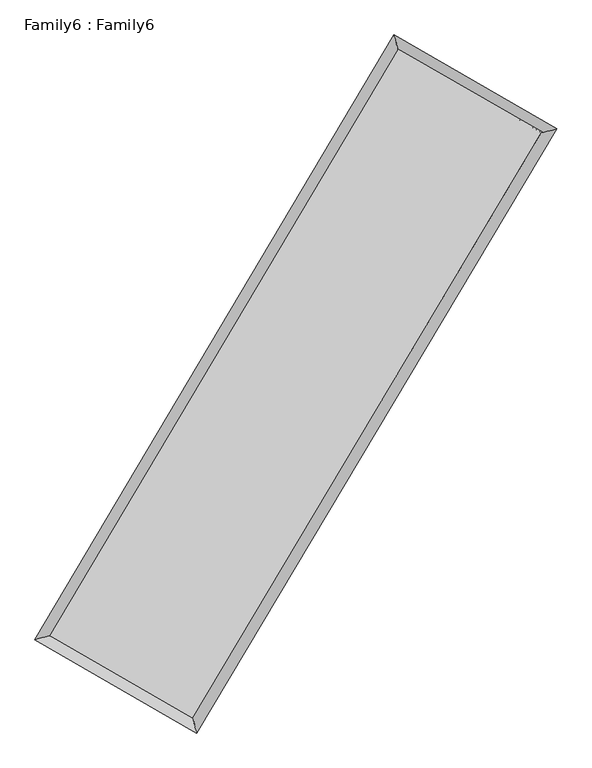
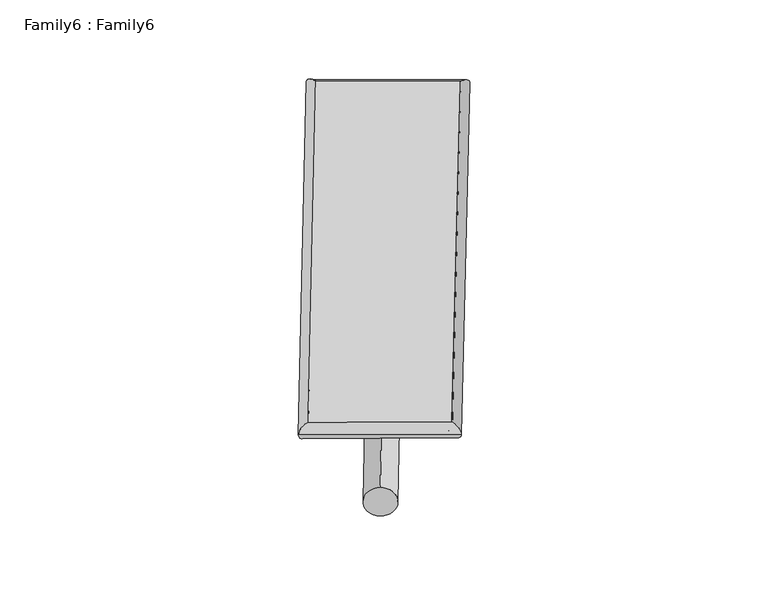
"""IFC4 building model written with IfcOpenShell, lengths in millimetres: plate geometry, Family6 : Family6."""

from ifc_helpers import new_model, si_unit, point, frame, origin, origin_2d, place, context, project, spatial, circle_curve, ellipse_curve, trimmed, segment, composite_curve, outline, extrude, source, transform, mapped, element, save
from ifc_brep_helpers import plane_surface, cylinder_surface, spline_surface, advanced_brep


def family6_family6_505c351c(model_context):
    return source(origin(), model_context, "Body", "SolidModel", [
        extrude(outline(composite_curve([segment(trimmed(circle_curve(origin_2d(), 76.2), [point((-75.4341515, -10.7763073))], [point((75.4341515, 10.7763073))], False, "CARTESIAN"), True, "CONTINUOUS"), segment(trimmed(circle_curve(origin_2d(), 76.2), [point((75.4341515, 10.7763073))], [point((-75.4341515, -10.7763073))], False, "CARTESIAN"), True, "CONTINUOUS")], self_intersect=False)), frame((9144.0, 9144.0, 0.0), z_axis=(0.6748021462334539, 0.6862234961826241, 0.27154995254210723), x_axis=(-0.678185940897874, 0.7217159832759199, -0.138527502874114)), (0.0, 0.0, 1.0), 5581.3530393),
        extrude(outline(composite_curve([segment(trimmed(circle_curve(origin_2d(), 76.2), [point((-53.8815367, 53.8815367))], [point((53.8815367, -53.8815367))], False, "CARTESIAN"), True, "CONTINUOUS"), segment(trimmed(circle_curve(origin_2d(), 76.2), [point((53.8815367, -53.8815367))], [point((-53.8815367, 53.8815367))], False, "CARTESIAN"), True, "CONTINUOUS")], self_intersect=False)), frame((9144.0, 9144.0, 0.0), z_axis=(-0.673976383655914, -0.6870259920512145, 0.2715715753169705), x_axis=(0.6403208275232999, -0.35993561872731367, 0.6785540422186447)), (0.0, 0.0, 1.0), 5580.6512618),
        extrude(outline(composite_curve([segment(trimmed(circle_curve(origin_2d(), 76.2), [point((-53.8815367, -53.8815367))], [point((53.8815367, 53.8815367))], False, "CARTESIAN"), True, "CONTINUOUS"), segment(trimmed(circle_curve(origin_2d(), 76.2), [point((53.8815367, 53.8815367))], [point((-53.8815367, -53.8815367))], False, "CARTESIAN"), True, "CONTINUOUS")], self_intersect=False)), frame((9144.0, 9144.0, 0.0), z_axis=(0.27982844087584585, 0.9197115812359689, 0.2753663941323033), x_axis=(-0.8390701557122571, 0.37367317907978065, -0.39538541833180824)), (0.0, 0.0, 1.0), 5553.1893775),
        extrude(outline(composite_curve([segment(trimmed(circle_curve(origin_2d(), 76.2), [point((-75.4341514, 10.7763074))], [point((75.4341514, -10.7763074))], False, "CARTESIAN"), True, "CONTINUOUS"), segment(trimmed(circle_curve(origin_2d(), 76.2), [point((75.4341514, -10.7763074))], [point((-75.4341514, 10.7763074))], False, "CARTESIAN"), True, "CONTINUOUS")], self_intersect=False)), frame((9144.0, 9144.0, 0.0), z_axis=(-0.28092202212146156, -0.919360019503545, 0.2754268905274696), x_axis=(0.8763263981572105, -0.12870307821901156, 0.46420637818729005)), (0.0, 0.0, 1.0), 5551.8665157),
        advanced_brep(
        [(5172.8845593, 5255.1046831, 1516.6182189), (5592.6673301, 5364.7992762, 1516.924943), (5592.661129, 5364.7903781, 1514.47429), (10752.0505559, 14044.1194238, 1527.690725), (10643.8300949, 14458.5457428, 1530.6327447), (5172.8783582, 5255.095785, 1514.1675659), (12700.2698128, 12919.3450403, 1515.7624403), (13120.3482067, 13028.7661518, 1515.4698656), (7530.3811132, 4246.9173087, 1528.8835358), (7638.3357506, 3832.754475, 1529.3831262)],
        [
            (0, 1, ellipse_curve(frame((5382.7728442, 5309.9475306, 1515.5462545), z_axis=(-0.2528203386826364, 0.9675089772740636, -0.0028731937791026327), x_axis=(-0.9674990016721574, -0.25283161534765836, -0.004675044820371248)), 216.9480269, 152.4)),
            (1, 2, ellipse_curve(frame((5382.7728442, 5309.9475306, 1515.5462545), z_axis=(-0.2528203386826364, 0.9675089772740636, -0.0028731937791026327), x_axis=(-0.9674990016721574, -0.25283161534765836, -0.004675044820371248)), 216.9480269, 152.4)),
            (2, 3),
            (3, 4, ellipse_curve(frame((10697.9403254, 14251.3325833, 1529.1617348), z_axis=(-0.9675462667868004, -0.25267834937572253, 0.0028059550398764547), x_axis=(0.2526637738953514, -0.9675427024263924, -0.004704927458756009)), 214.1671863, 152.4)),
            (4, 0),
            (2, 5, ellipse_curve(frame((5382.7728442, 5309.9475306, 1515.5462545), z_axis=(-0.2528203386826364, 0.9675089772740636, -0.0028731937791026327), x_axis=(-0.9674990016721574, -0.25283161534765836, -0.004675044820371248)), 216.9480269, 152.4)),
            (5, 0, ellipse_curve(frame((5382.7728442, 5309.9475306, 1515.5462545), z_axis=(-0.2528203386826364, 0.9675089772740636, -0.0028731937791026327), x_axis=(-0.9674990016721574, -0.25283161534765836, -0.004675044820371248)), 216.9480269, 152.4)),
            (4, 3, ellipse_curve(frame((10697.9403254, 14251.3325833, 1529.1617348), z_axis=(-0.9675462667868004, -0.25267834937572253, 0.0028059550398764547), x_axis=(0.2526637738953514, -0.9675427024263924, -0.004704927458756009)), 214.1671863, 152.4)),
            (3, 6),
            (6, 7, ellipse_curve(frame((12910.3090098, 12974.055596, 1515.6161529), z_axis=(-0.25206407162810984, 0.9677063496046405, 0.0028503910468814803), x_axis=(-0.9676965507846458, -0.25207517450927297, 0.004635946032817143)), 217.0495129, 152.4)),
            (7, 4),
            (7, 6, ellipse_curve(frame((12910.3090098, 12974.055596, 1515.6161529), z_axis=(-0.25206407162810984, 0.9677063496046405, 0.0028503910468814803), x_axis=(-0.9676965507846458, -0.25207517450927297, 0.004635946032817143)), 217.0495129, 152.4)),
            (6, 8),
            (8, 9, ellipse_curve(frame((7584.3584319, 4039.8358919, 1529.133331), z_axis=(0.9676626406865296, 0.25223192485508994, 0.002840757551867335), x_axis=(-0.2522171075297096, 0.9676590986522194, -0.0047328072980916645)), 214.0020849, 152.4)),
            (9, 7),
            (9, 8, ellipse_curve(frame((7584.3584319, 4039.8358919, 1529.133331), z_axis=(0.9676626406865296, 0.25223192485508994, 0.002840757551867335), x_axis=(-0.2522171075297096, 0.9676590986522194, -0.0047328072980916645)), 214.0020849, 152.4)),
            (8, 1),
            (5, 9),
        ],
        [
            cylinder_surface(frame((5382.7728442, 5309.9475306, 1515.5462545), z_axis=(-0.5109803642998108, -0.8595913877955451, -0.0013089414662395987), x_axis=(-0.8595676773922117, 0.5109535396992655, 0.008359919338722016)), 152.4),
            cylinder_surface(frame((10697.9403254, 14251.3325833, 1529.1617348), z_axis=(-0.8660191058447854, 0.4999827931979189, 0.005302340785520759), x_axis=(0.5000052275319655, 0.8660111211967045, 0.0044170583349576525)), 152.4),
            cylinder_surface(frame((12910.3090098, 12974.055596, 1515.6161529), z_axis=(0.5120485854055115, 0.8589555036781241, -0.0012995711888736216), x_axis=(0.8589564121911422, -0.5120485854055115, 0.0003579663889640382)), 152.4),
            cylinder_surface(frame((7584.3584319, 4039.8358919, 1529.133331), z_axis=(0.8661789818746736, -0.49970530886147496, 0.00534562009613039), x_axis=(-0.49969234404409607, -0.8661953474878583, -0.0036306051982082643)), 152.4),
        ],
        [
            (0, [[1, 2, 3, 4, 5]]),
            (0, [[6, 7, -5, 8, -3]]),
            (1, [[-4, 9, 10, 11]]),
            (1, [[-8, -11, 12, -9]]),
            (2, [[-10, 13, 14, 15]]),
            (2, [[-12, -15, 16, -13]]),
            (3, [[-14, 17, -1, -7, 18]]),
            (3, [[-16, -18, -6, -2, -17]]),
        ],
    ),
        extrude(outline(composite_curve([segment(trimmed(circle_curve(origin_2d(), 304.8), [point((0.0, 304.8))], [point((0.0, -304.8))], False, "CARTESIAN"), True, "CONTINUOUS"), segment(trimmed(circle_curve(origin_2d(), 304.8), [point((0.0, -304.8))], [point((0.0, 304.8))], False, "CARTESIAN"), True, "CONTINUOUS")], self_intersect=False)), frame((11808.7939991, 13636.9242387, -0.0003625), z_axis=(-0.5101311046726128, -0.8600966550600547, 6.939102903006996e-08), x_axis=(-0.8600966550600575, 0.5101311046726129, -1.903047467839034e-08)), (0.0, 0.0, 1.0), 10447.4868313),
        advanced_brep(
        [(5382.7728442, 5309.9475306, 1515.5462545), (7584.3584319, 4039.8358919, 1529.133331), (7584.358771, 4039.8348428, 1681.533331), (5382.7731833, 5309.9464816, 1667.9462544), (12910.3090098, 12974.055596, 1515.6161529), (12910.3093489, 12974.054547, 1668.0161529), (10697.9403254, 14251.3325833, 1529.1617348), (10697.9406645, 14251.3315343, 1681.5617348)],
        [
            (0, 1),
            (1, 2),
            (2, 3),
            (3, 0),
            (1, 4),
            (4, 5),
            (5, 2),
            (4, 6),
            (6, 7),
            (7, 5),
            (6, 0),
            (3, 7),
        ],
        [
            plane_surface(frame((6483.565638, 4674.8917112, 1522.3397927), z_axis=(-0.4997124262523752, -0.8661913709022033, -4.850405412997697e-06), x_axis=(0.8661789818746735, -0.4997053088614749, 0.005345620096130389))),
            plane_surface(frame((10247.3337208, 8506.945744, 1522.374742), z_axis=(0.8589562253877491, -0.5120490238620536, -5.435844926574918e-06), x_axis=(0.5120485854055115, 0.858955503678124, -0.0012995711888736216))),
            plane_surface(frame((11804.1246676, 13612.6940897, 1522.3889439), z_axis=(0.4999898440682619, 0.8660312672213895, 4.848686090071479e-06), x_axis=(-0.8660191058447853, 0.4999827931979191, 0.005302340785520759))),
            plane_surface(frame((8040.3565848, 9780.6400569, 1522.3539946), z_axis=(-0.8595921277964769, 0.5109807959217666, 5.4299068570968405e-06), x_axis=(-0.5109803642998111, -0.8595913877955447, -0.0013089414662395965))),
            spline_surface(1, 1, [[(7584.358771, 4039.8348428, 1681.533331), (5382.7731833, 5309.9464816, 1667.9462544)], [(12910.3093489, 12974.054547, 1668.0161529), (10697.9406645, 14251.3315343, 1681.5617348)]], [2, 2], [2, 2], [0.0, 1.0], [0.0, 1.0]),
            spline_surface(1, 1, [[(10697.9403254, 14251.3325833, 1529.1617348), (5382.7728442, 5309.9475306, 1515.5462545)], [(12910.3090098, 12974.055596, 1515.6161529), (7584.3584319, 4039.8358919, 1529.133331)]], [2, 2], [2, 2], [0.0, 1.0], [0.0, 1.0]),
        ],
        [
            (0, [[1, 2, 3, 4]]),
            (1, [[5, 6, 7, -2]]),
            (2, [[8, 9, 10, -6]]),
            (3, [[11, -4, 12, -9]]),
            (4, [[-3, -7, -10, -12]]),
            (5, [[-11, -8, -5, -1]]),
        ],
    ),
    ])


if __name__ == "__main__":
    model = new_model("IFC4")
    model_context = context("Model", 3, world=origin())
    ifc_project = project(units=[si_unit("LENGTHUNIT", "METRE", prefix="MILLI")], contexts=[model_context])
    site = spatial("IfcSite", under=ifc_project)
    building = spatial("IfcBuilding", under=site)
    placement = place(None, origin())
    family6_family6_shape = family6_family6_505c351c(model_context)
    element("IfcPlate", 1, ObjectType="Family6 : Family6", at=placement, inside=building, context=model_context, shape_type="MappedRepresentation", body=[
        mapped(family6_family6_shape, transform((0.0, 0.0, 0.0), x_axis=(1.0, 0.0, 0.0), y_axis=(0.0, 1.0, 0.0), z_axis=(0.0, 0.0, 1.0))),
    ])
    save(model, "model.ifc")
